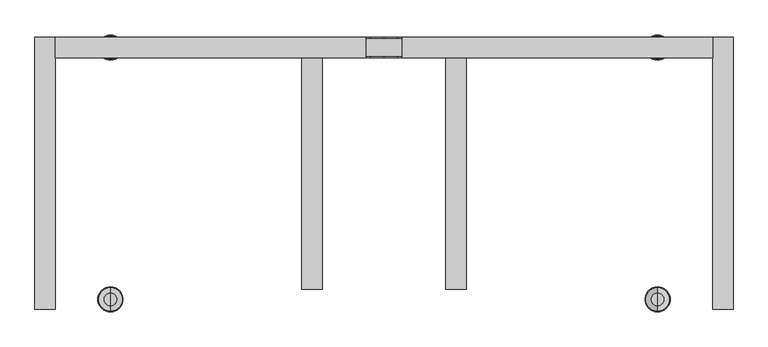
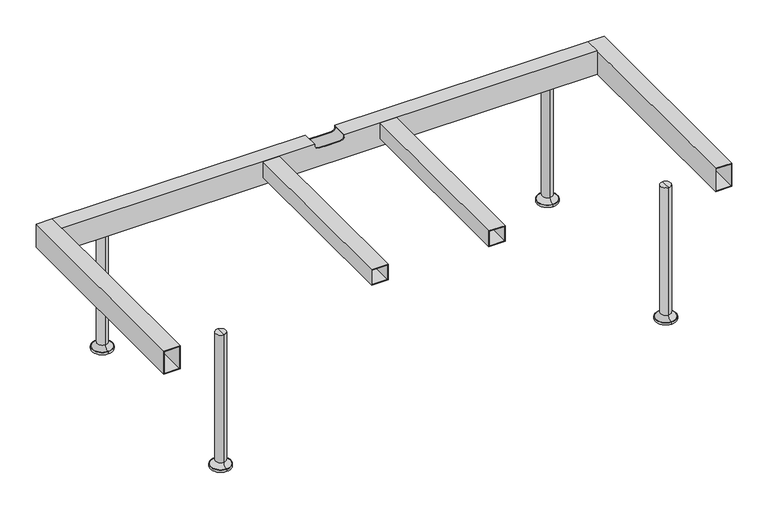
"""IFC4 building model written with IfcOpenShell, lengths in millimetres: furniture geometry."""

import ifcopenshell
import ifcopenshell.guid

model = None  # the IFC model being written
_history = None  # IfcOwnerHistory: only IFC2X3 demands one
_inside = {}  # id of a spatial element -> (the spatial element, [elements in it])
_under = {}  # id of a project, library or spatial element -> (it, [spatial elements below it])
_declared = {}  # id of a project -> (the project, [libraries it declares])
_typed = {}  # id of a type object -> (the type object, [elements of that type])
_made_of = {}  # id of a material, layer set ... -> (it, [elements and type objects made of it])


def new_model(schema):
    """Start an empty IFC model of exactly this schema.

    Asked for "IFC4X3", IfcOpenShell would pick the latest addendum, in which some entities
    have other attributes; the version numbers below select the first issue.
    IFC2X3 requires an IfcOwnerHistory on every rooted entity: one is made here for all.
    """
    global model, _history
    if schema == "IFC4X3":
        model = ifcopenshell.file(schema_version=(4, 3, 0, 0))
    else:
        model = ifcopenshell.file(schema=schema)
    _inside.clear()
    _under.clear()
    _declared.clear()
    _typed.clear()
    _made_of.clear()
    _history = None
    if model.schema == "IFC2X3":
        org = make("IfcOrganization", Name="unknown")
        user = make(
            "IfcPersonAndOrganization",
            ThePerson=make("IfcPerson", FamilyName="unknown"),
            TheOrganization=org,
        )
        app = make(
            "IfcApplication",
            ApplicationDeveloper=org,
            Version="unknown",
            ApplicationFullName="unknown",
            ApplicationIdentifier="unknown",
        )
        _history = make(
            "IfcOwnerHistory",
            OwningUser=user,
            OwningApplication=app,
            ChangeAction="ADDED",
            CreationDate=0,
        )
    return model


def make(cls, **values):
    """One entity of the class cls with the attributes given. An attribute that is None is left unset."""
    return model.create_entity(
        cls, **{name: value for name, value in values.items() if value is not None}
    )


def rooted(cls, **values):
    """An entity with a GlobalId (a new one), such as an element, a storey or a relation."""
    return make(cls, GlobalId=ifcopenshell.guid.new(), OwnerHistory=_history, **values)


def si_unit(unit_type, name, prefix=None):
    """IfcSIUnit, for example si_unit("LENGTHUNIT", "METRE", prefix="MILLI")."""
    return make("IfcSIUnit", UnitType=unit_type, Prefix=prefix, Name=name)


def assignment(units):
    """IfcUnitAssignment: the units of a project."""
    return None if units is None else make("IfcUnitAssignment", Units=units)


def point(xyz):
    """IfcCartesianPoint."""
    return None if xyz is None else make("IfcCartesianPoint", Coordinates=xyz)


def direction(xyz):
    """IfcDirection."""
    return None if xyz is None else make("IfcDirection", DirectionRatios=xyz)


def frame(location, z_axis=None, x_axis=None):
    """IfcAxis2Placement3D, a coordinate frame: its origin and axes. An axis left out is left unset."""
    return make(
        "IfcAxis2Placement3D",
        Location=point(location),
        Axis=direction(z_axis),
        RefDirection=direction(x_axis),
    )


def origin():
    """The frame at (0, 0, 0) with its axes left unset."""
    return frame((0.0, 0.0, 0.0))


def place(relative_to, where):
    """IfcLocalPlacement: puts the frame where relative to a parent placement (None: the world)."""
    return make(
        "IfcLocalPlacement", PlacementRelTo=relative_to, RelativePlacement=where
    )


def context(
    kind, dimensions, precision=None, world=None, true_north=None, identifier=None
):
    """IfcGeometricRepresentationContext, for example the 3D "Model" context."""
    return make(
        "IfcGeometricRepresentationContext",
        ContextIdentifier=identifier,
        ContextType=kind,
        CoordinateSpaceDimension=dimensions,
        Precision=precision,
        WorldCoordinateSystem=world,
        TrueNorth=true_north,
    )


def project(units=None, contexts=None):
    """IfcProject with its units and contexts."""
    return rooted(
        "IfcProject",
        Name="project",
        RepresentationContexts=contexts,
        UnitsInContext=assignment(units),
    )


def spatial(cls, under=None, at=None, **own):
    """A site, building, storey or space (cls), placed at a placement, below another one or the project."""
    s = rooted(cls, ObjectPlacement=at, **own)
    if under is not None:
        _under.setdefault(under.id(), (under, []))[1].append(s)
    return s


def polyline(points):
    """IfcPolyline through the points."""
    return make("IfcPolyline", Points=[point(p) for p in points])


def circle_curve(where, radius):
    """IfcCircle in the frame where."""
    return make("IfcCircle", Position=where, Radius=radius)


def ellipse_curve(where, semi_axis1, semi_axis2):
    """IfcEllipse in the frame where."""
    return make(
        "IfcEllipse", Position=where, SemiAxis1=semi_axis1, SemiAxis2=semi_axis2
    )


def trimmed(basis, trim1, trim2, sense, master):
    """IfcTrimmedCurve: the piece of a basis curve between two trims."""
    return make(
        "IfcTrimmedCurve",
        BasisCurve=basis,
        Trim1=trim1,
        Trim2=trim2,
        SenseAgreement=sense,
        MasterRepresentation=master,
    )


def outline(outer, holes=None, kind="AREA"):
    """IfcArbitraryClosedProfileDef: a profile drawn as a closed curve; with holes, ...WithVoids."""
    if holes is None:
        return make("IfcArbitraryClosedProfileDef", ProfileType=kind, OuterCurve=outer)
    return make(
        "IfcArbitraryProfileDefWithVoids",
        ProfileType=kind,
        OuterCurve=outer,
        InnerCurves=holes,
    )


def extrude(swept, where, along, depth):
    """IfcExtrudedAreaSolid: the profile swept, set in the frame where, extruded along a direction by depth."""
    return make(
        "IfcExtrudedAreaSolid",
        SweptArea=swept,
        Position=where,
        ExtrudedDirection=direction(along),
        Depth=depth,
    )


def shape(context_of_items, identifier, shape_type, items):
    """IfcShapeRepresentation: the items that make up one representation, for example the "Body"."""
    return make(
        "IfcShapeRepresentation",
        ContextOfItems=context_of_items,
        RepresentationIdentifier=identifier,
        RepresentationType=shape_type,
        Items=items,
    )


def source(mapping_origin, context_of_items, identifier, shape_type, items):
    """IfcRepresentationMap: a shape defined once, which mapped items show again and again."""
    return make(
        "IfcRepresentationMap",
        MappingOrigin=mapping_origin,
        MappedRepresentation=shape(context_of_items, identifier, shape_type, items),
    )


def transform(
    local_origin,
    x_axis=None,
    y_axis=None,
    z_axis=None,
    scale=None,
    scale2=None,
    scale3=None,
    uniform=True,
):
    """IfcCartesianTransformationOperator3D, or its non-uniform kind. x_axis, y_axis, z_axis: its Axis1, 2, 3."""
    if uniform:
        return make(
            "IfcCartesianTransformationOperator3D",
            Axis1=direction(x_axis),
            Axis2=direction(y_axis),
            LocalOrigin=point(local_origin),
            Scale=scale,
            Axis3=direction(z_axis),
        )
    return make(
        "IfcCartesianTransformationOperator3DnonUniform",
        Axis1=direction(x_axis),
        Axis2=direction(y_axis),
        LocalOrigin=point(local_origin),
        Scale=scale,
        Axis3=direction(z_axis),
        Scale2=scale2,
        Scale3=scale3,
    )


def mapped(mapping_source, mapping_target):
    """IfcMappedItem: shows the shape of a source again, moved by a transform."""
    return make(
        "IfcMappedItem", MappingSource=mapping_source, MappingTarget=mapping_target
    )


def made_of(thing, what):
    """Note that an element or type object is made of a material, layer set ...; save() writes the relation."""
    if what is not None:
        _made_of.setdefault(what.id(), (what, []))[1].append(thing)
    return thing


def element(
    cls,
    number,
    at=None,
    inside=None,
    cuts=None,
    type_object=None,
    material=None,
    context=None,
    identifier="Body",
    shape_type=None,
    held_by="IfcProductDefinitionShape",
    body=None,
    shapes=None,
    **own,
):
    """One element of the class cls, such as IfcWall. Its Tag is "e" and its number.

    at: its placement. inside: the storey or other place that contains it. cuts: it is an
    opening in that element (IfcRelVoidsElement). A single representation is given by context,
    identifier, shape_type and body (its items); several are given by shapes. held_by: the class
    of the entity that holds the representations. save() writes the other relations.
    """
    e = rooted(cls, Tag="e%d" % number, ObjectPlacement=at, **own)
    if body is not None:
        shapes = [shape(context, identifier, shape_type, body)]
    if shapes is not None:
        e.Representation = make(held_by, Representations=shapes)
    if inside is not None:
        _inside.setdefault(inside.id(), (inside, []))[1].append(e)
    if cuts is not None:
        rooted(
            "IfcRelVoidsElement", RelatingBuildingElement=cuts, RelatedOpeningElement=e
        )
    if type_object is not None:
        _typed.setdefault(type_object.id(), (type_object, []))[1].append(e)
    return made_of(e, material)


def aggregate(whole, parts):
    """IfcRelAggregates: a whole, such as a stair, and the parts it consists of."""
    return rooted("IfcRelAggregates", RelatingObject=whole, RelatedObjects=parts)


def save(model, path):
    """Write the relations noted so far, then the file.

    IfcRelAggregates (storeys below a building ...), IfcRelContainedInSpatialStructure (elements
    in a storey), IfcRelDefinesByType, IfcRelAssociatesMaterial and IfcRelDeclares: one each for
    every whole, place, type object, material and project.
    """
    for whole, parts in _under.values():
        aggregate(whole, parts)
    for where, things in _inside.values():
        rooted(
            "IfcRelContainedInSpatialStructure",
            RelatedElements=things,
            RelatingStructure=where,
        )
    for kind, things in _typed.values():
        rooted("IfcRelDefinesByType", RelatedObjects=things, RelatingType=kind)
    for what, things in _made_of.values():
        rooted("IfcRelAssociatesMaterial", RelatedObjects=things, RelatingMaterial=what)
    for by, libraries in _declared.values():
        rooted("IfcRelDeclares", RelatingContext=by, RelatedDefinitions=libraries)
    model.write(path)


def plane_surface(at):
    """IfcPlane: the flat surface through the origin of the frame at, square to its z axis."""
    return make("IfcPlane", Position=at)


def cylinder_surface(at, radius):
    """IfcCylindricalSurface: all points at the distance radius from the z axis of the frame at."""
    return make("IfcCylindricalSurface", Position=at, Radius=radius)


def revolved_surface(curve, axis_point, axis_direction):
    """IfcSurfaceOfRevolution: the curve turned about the line through axis_point along axis_direction."""
    return make(
        "IfcSurfaceOfRevolution",
        SweptCurve=make("IfcArbitraryOpenProfileDef", ProfileType="CURVE", Curve=curve),
        AxisPosition=make("IfcAxis1Placement", Location=point(axis_point), Axis=direction(axis_direction)),
    )


def advanced_brep(points, edges, surfaces, faces):
    """IfcAdvancedBrep: a solid bounded by faces that lie on surfaces and meet in shared edges.

    An edge is (start, end): straight between two places in points (the first is 0);
    or (start, end, curve); or (start, end, curve, False) where it runs against its curve.
    A face is (place in surfaces, loops), or (place, loops, False) where it looks against
    its surface's normal. A loop lists edges by number (the first is 1), with a minus sign
    where the edge is run from its end to its start. The first loop is the outer one.
    """
    corners = [point(p) for p in points]
    vertices = [make("IfcVertexPoint", VertexGeometry=c) for c in corners]
    made = []
    for start, end, *more in edges:
        made.append(
            make(
                "IfcEdgeCurve",
                EdgeStart=vertices[start],
                EdgeEnd=vertices[end],
                EdgeGeometry=more[0] if more else make("IfcPolyline", Points=[corners[start], corners[end]]),
                SameSense=more[1] if len(more) > 1 else True,
            )
        )
    hull = []
    for where, loops, *sense in faces:
        bounds = []
        for j, loop in enumerate(loops):
            ring = [make("IfcOrientedEdge", EdgeElement=made[abs(k) - 1], Orientation=k > 0) for k in loop]
            bounds.append(
                make(
                    "IfcFaceOuterBound" if j == 0 else "IfcFaceBound",
                    Bound=make("IfcEdgeLoop", EdgeList=ring),
                    Orientation=True,
                )
            )
        hull.append(make("IfcAdvancedFace", Bounds=bounds, FaceSurface=surfaces[where], SameSense=sense[0] if sense else True))
    return make("IfcAdvancedBrep", Outer=make("IfcClosedShell", CfsFaces=hull))


def furniture_80b7e7a5(model_context):
    return source(origin(), model_context, "Body", "SolidModel", [
        advanced_brep(
        [(652.9916052, 230.0000056, 359.922434), (652.9916052, 230.0000056, 299.9223263), (652.9916052, 270.0000061, 299.9223263), (652.9916052, 270.0000061, 359.922434), (652.9916052, 268.0000023, 301.9086098), (652.9916052, 232.0000018, 301.9086098), (652.9916052, 232.0000018, 357.9224338), (652.9916052, 268.0000023, 357.9224338), (-652.9916052, 230.0000056, 359.922434), (-652.9916052, 270.0000061, 359.922434), (-652.9916052, 270.0000061, 299.9223263), (-652.9916052, 230.0000056, 299.9223263), (-652.9916052, 268.0000023, 301.9086098), (-652.9916052, 268.0000023, 357.9224338), (-652.9916052, 232.0000018, 357.9224338), (-652.9916052, 232.0000018, 301.9086098), (35.9966488, 230.0000056, 359.922434), (35.9966488, 230.0000056, 356.6346058), (25.9966488, 230.0000056, 346.6346058), (0.0, 230.0000056, 346.6346058), (-25.9966488, 230.0000056, 346.6346058), (-35.9966488, 230.0000056, 356.6346058), (-35.9966488, 230.0000056, 359.922434), (-35.9966488, 270.0000061, 359.922434), (-35.9966488, 270.0000061, 356.6346058), (-25.9966488, 270.0000061, 346.6346058), (0.0, 270.0000061, 346.6346058), (25.9966488, 270.0000061, 346.6346058), (35.9966488, 270.0000061, 356.6346058), (35.9966488, 270.0000061, 359.922434), (-124.9814439, 270.0000061, 357.9224338), (-160.9701256, 270.0000061, 357.9224338), (-160.9701256, 270.0000061, 301.9086098), (-124.9814439, 270.0000061, 301.9086098), (160.9701256, 270.0000061, 357.9224338), (124.9814439, 270.0000061, 357.9224338), (124.9814439, 270.0000061, 301.9086098), (160.9701256, 270.0000061, 301.9086098), (0.0, 232.0000018, 346.6346058), (25.9966488, 232.0000018, 346.6346058), (0.0, 268.0000023, 346.6346058), (25.9966488, 268.0000023, 346.6346058), (35.9966488, 232.0000018, 356.6346058), (35.9966488, 268.0000023, 356.6346058), (35.9966488, 268.0000023, 357.9224338), (35.9966488, 232.0000018, 357.9224338), (-35.9966488, 232.0000018, 356.6346058), (-35.9966488, 232.0000018, 357.9224338), (-35.9966488, 268.0000023, 357.9224338), (-35.9966488, 268.0000023, 356.6346058), (-25.9966488, 232.0000018, 346.6346058), (-25.9966488, 268.0000023, 346.6346058), (160.9701256, 268.0000023, 301.9086098), (124.9814439, 268.0000023, 301.9086098), (-124.9814439, 268.0000023, 301.9086098), (-160.9701256, 268.0000023, 301.9086098), (124.9814439, 268.0000023, 357.9224338), (160.9701256, 268.0000023, 357.9224338), (-160.9701256, 268.0000023, 357.9224338), (-124.9814439, 268.0000023, 357.9224338)],
        [
            (0, 1),
            (1, 2),
            (2, 3),
            (3, 0),
            (4, 5),
            (5, 6),
            (6, 7),
            (7, 4),
            (8, 9),
            (9, 10),
            (10, 11),
            (11, 8),
            (12, 13),
            (13, 14),
            (14, 15),
            (15, 12),
            (0, 16),
            (16, 17),
            (17, 18, circle_curve(frame((25.9966488, 230.0000056, 356.6346058), z_axis=(0.0, 1.0, 0.0), x_axis=(-1.0, 0.0, 0.0)), 10.0)),
            (18, 19),
            (19, 20),
            (20, 21, circle_curve(frame((-25.9966488, 230.0000056, 356.6346058), z_axis=(0.0, 1.0, 0.0), x_axis=(1.0, 0.0, 0.0)), 10.0)),
            (21, 22),
            (22, 8),
            (11, 1),
            (10, 2),
            (9, 23),
            (23, 24),
            (24, 25, circle_curve(frame((-25.9966488, 270.0000061, 356.6346058), z_axis=(0.0, -1.0, 0.0), x_axis=(1.0, 0.0, 0.0)), 10.0)),
            (25, 26),
            (26, 27),
            (27, 28, circle_curve(frame((25.9966488, 270.0000061, 356.6346058), z_axis=(0.0, -1.0, 0.0), x_axis=(-1.0, 0.0, 0.0)), 10.0)),
            (28, 29),
            (29, 3),
            (30, 31),
            (31, 32),
            (32, 33),
            (33, 30),
            (34, 35),
            (35, 36),
            (36, 37),
            (37, 34),
            (29, 16),
            (22, 23),
            (38, 19),
            (18, 39),
            (39, 38),
            (26, 40),
            (40, 41),
            (41, 27),
            (17, 42),
            (42, 39, circle_curve(frame((25.9966488, 232.0000018, 356.6346058), z_axis=(0.0, 1.0, 0.0), x_axis=(-1.0, 0.0, 0.0)), 10.0)),
            (41, 43, circle_curve(frame((25.9966488, 268.0000023, 356.6346058), z_axis=(0.0, -1.0, 0.0), x_axis=(-1.0, 0.0, 0.0)), 10.0)),
            (43, 28),
            (43, 44),
            (44, 45),
            (45, 42),
            (21, 46),
            (46, 47),
            (47, 48),
            (48, 49),
            (49, 24),
            (38, 50),
            (50, 20),
            (25, 51),
            (51, 40),
            (4, 52),
            (52, 37),
            (36, 53),
            (53, 54),
            (54, 33),
            (32, 55),
            (55, 12),
            (15, 5),
            (14, 47),
            (46, 50, circle_curve(frame((-25.9966488, 232.0000018, 356.6346058), z_axis=(0.0, -1.0, 0.0), x_axis=(1.0, 0.0, 0.0)), 10.0)),
            (45, 6),
            (44, 56),
            (56, 35),
            (34, 57),
            (57, 7),
            (13, 58),
            (58, 31),
            (30, 59),
            (59, 48),
            (57, 52),
            (55, 58),
            (51, 49, circle_curve(frame((-25.9966488, 268.0000023, 356.6346058), z_axis=(0.0, 1.0, 0.0), x_axis=(1.0, 0.0, 0.0)), 10.0)),
            (59, 54),
            (53, 56),
        ],
        [
            plane_surface(frame((652.9916052, 230.0000056, 319.6891771), z_axis=(1.0, 0.0, 0.0), x_axis=(0.0, 0.0, -1.0))),
            plane_surface(frame((-652.9916052, 230.0000056, 319.6891771), z_axis=(-1.0, 0.0, 0.0), x_axis=(0.0, 0.0, 1.0))),
            plane_surface(frame((652.9916052, 230.0000056, 359.922434), z_axis=(0.0, -1.0, 0.0), x_axis=(-1.0, 0.0, 0.0))),
            plane_surface(frame((652.9916052, 230.0000056, 299.9223263), z_axis=(0.0, 0.0, -1.0), x_axis=(-1.0, 0.0, 0.0))),
            plane_surface(frame((652.9916052, 270.0000061, 299.9223263), z_axis=(0.0, 1.0, 0.0), x_axis=(-1.0, 0.0, 0.0))),
            plane_surface(frame((652.9916052, 270.0000061, 359.922434), z_axis=(0.0, 0.0, 1.0), x_axis=(-1.0, 0.0, 0.0))),
            plane_surface(frame((0.0, -287.5262628, 346.6346058), z_axis=(0.0, 0.0, 1.0), x_axis=(0.0, 1.0, 0.0))),
            revolved_surface(polyline([(15.9966488, 230.0000056, 356.6346058), (15.9966488, 232.0000018, 356.6346058)]), (25.9966488, 314.3107458, 356.6346058), (0.0, -1.0, 0.0)),
            revolved_surface(polyline([(15.9966488, 268.0000023, 356.6346058), (15.9966488, 270.0000061, 356.6346058)]), (25.9966488, 314.3107458, 356.6346058), (0.0, -1.0, 0.0)),
            plane_surface(frame((35.9966488, -287.5262628, 356.6346058), z_axis=(-1.0, 0.0, 0.0), x_axis=(0.0, 1.0, 0.0))),
            plane_surface(frame((-35.9966488, -287.5262628, 378.869628), z_axis=(1.0, 0.0, 0.0), x_axis=(0.0, 1.0, 0.0))),
            plane_surface(frame((-25.9966488, -287.5262628, 346.6346058), z_axis=(0.0, 0.0, 1.0), x_axis=(0.0, 1.0, 0.0))),
            plane_surface(frame((652.9916052, 268.0000023, 301.9086098), z_axis=(0.0, 0.0, 1.0), x_axis=(-1.0, 0.0, 0.0))),
            plane_surface(frame((652.9916052, 232.0000018, 301.9086098), z_axis=(0.0, 1.0, 0.0), x_axis=(-1.0, 0.0, 0.0))),
            plane_surface(frame((652.9916052, 232.0000018, 357.9224338), z_axis=(0.0, 0.0, -1.0), x_axis=(-1.0, 0.0, 0.0))),
            plane_surface(frame((652.9916052, 268.0000023, 357.9224338), z_axis=(0.0, -1.0, 0.0), x_axis=(-1.0, 0.0, 0.0))),
            plane_surface(frame((-160.9701256, 282.4008656, 301.9086098), z_axis=(1.0, 0.0, 0.0), x_axis=(0.0, -1.0, 0.0))),
            plane_surface(frame((-124.9814439, 282.4008656, 357.9224338), z_axis=(-1.0, 0.0, 0.0), x_axis=(0.0, -1.0, 0.0))),
            plane_surface(frame((160.9701256, 282.4008656, 357.9224338), z_axis=(-1.0, 0.0, 0.0), x_axis=(0.0, -1.0, 0.0))),
            plane_surface(frame((124.9814439, 282.4008656, 301.9086098), z_axis=(1.0, 0.0, 0.0), x_axis=(0.0, -1.0, 0.0))),
            revolved_surface(polyline([(-15.9966488, 230.0000056, 356.6346058), (-15.9966488, 232.0000018, 356.6346058)]), (-25.9966488, 314.3107458, 356.6346058), (0.0, -1.0, 0.0)),
            revolved_surface(polyline([(-15.9966488, 268.0000023, 356.6346058), (-15.9966488, 270.0000061, 356.6346058)]), (-25.9966488, 314.3107458, 356.6346058), (0.0, -1.0, 0.0)),
        ],
        [
            (0, [[1, 2, 3, 4], [5, 6, 7, 8]]),
            (1, [[9, 10, 11, 12], [13, 14, 15, 16]]),
            (2, [[-1, 17, 18, 19, 20, 21, 22, 23, 24, -12, 25]]),
            (3, [[-2, -25, -11, 26]]),
            (4, [[-3, -26, -10, 27, 28, 29, 30, 31, 32, 33, 34], [35, 36, 37, 38], [39, 40, 41, 42]]),
            (5, [[-4, -34, 43, -17]]),
            (5, [[-9, -24, 44, -27]]),
            (6, [[45, -20, 46, 47]]),
            (6, [[48, 49, 50, -31]]),
            (7, [[-46, -19, 51, 52]]),
            (8, [[-50, 53, 54, -32]]),
            (9, [[-51, -18, -43, -33, -54, 55, 56, 57]]),
            (10, [[58, 59, 60, 61, 62, -28, -44, -23]]),
            (11, [[-45, 63, 64, -21]]),
            (11, [[-48, -30, 65, 66]]),
            (12, [[-5, 67, 68, -41, 69, 70, 71, -37, 72, 73, -16, 74]]),
            (13, [[-6, -74, -15, 75, -59, 76, -63, -47, -52, -57, 77]]),
            (14, [[-7, -77, -56, 78, 79, -39, 80, 81]]),
            (14, [[-14, 82, 83, -35, 84, 85, -60, -75]]),
            (15, [[-8, -81, 86, -67]]),
            (15, [[-13, -73, 87, -82]]),
            (15, [[-49, -66, 88, -61, -85, 89, -70, 90, -78, -55, -53]]),
            (16, [[-83, -87, -72, -36]]),
            (17, [[-71, -89, -84, -38]]),
            (18, [[-80, -42, -68, -86]]),
            (19, [[-79, -90, -69, -40]]),
            (20, [[-64, -76, -58, -22]]),
            (21, [[-65, -29, -62, -88]]),
        ],
    ),
        extrude(outline(polyline([(359.922434, 652.9916052), (299.9223263, 652.9916052), (299.9223263, 692.9854212), (359.922434, 692.9854212), (359.922434, 652.9916052)]), holes=[polyline([(301.9086098, 690.9659032), (301.9086098, 654.9772215), (357.9224338, 654.9772215), (357.9224338, 690.9659032), (301.9086098, 690.9659032)])]), frame((0.0, -269.9999939, 0.0), z_axis=(0.0, 1.0, 0.0), x_axis=(0.0, 0.0, 1.0)), (0.0, 0.0, 1.0), 540.0),
        extrude(outline(polyline([(359.922434, 122.9958276), (319.6891771, 122.9958276), (319.6891771, 162.9896436), (359.922434, 162.9896436), (359.922434, 122.9958276)]), holes=[polyline([(321.6754606, 160.9701256), (321.6754606, 124.9814439), (357.9224338, 124.9814439), (357.9224338, 160.9701256), (321.6754606, 160.9701256)])]), frame((0.0, -229.9999925, 0.0), z_axis=(0.0, 1.0, 0.0), x_axis=(0.0, 0.0, 1.0)), (0.0, 0.0, 1.0), 459.9999981),
        extrude(outline(polyline([(359.922434, -122.9958276), (359.922434, -162.9896436), (319.6891771, -162.9896436), (319.6891771, -122.9958276), (359.922434, -122.9958276)]), holes=[polyline([(321.6754606, -160.9701256), (357.9224338, -160.9701256), (357.9224338, -124.9814439), (321.6754606, -124.9814439), (321.6754606, -160.9701256)])]), frame((0.0, -229.9999925, 0.0), z_axis=(0.0, 1.0, 0.0), x_axis=(0.0, 0.0, 1.0)), (0.0, 0.0, 1.0), 459.9999981),
        extrude(outline(polyline([(359.922434, -652.9916052), (359.922434, -692.9854212), (299.9223263, -692.9854212), (299.9223263, -652.9916052), (359.922434, -652.9916052)]), holes=[polyline([(301.9086098, -690.9659032), (357.9224338, -690.9659032), (357.9224338, -654.9772215), (301.9086098, -654.9772215), (301.9086098, -690.9659032)])]), frame((0.0, -269.9999939, 0.0), z_axis=(0.0, 1.0, 0.0), x_axis=(0.0, 0.0, 1.0)), (0.0, 0.0, 1.0), 540.0),
        advanced_brep(
        [(542.9813638, 275.0000031, 0.0), (542.9813638, 225.0000031, 0.0), (542.9813638, 250.0000031, 0.0), (542.9813638, 250.0000031, 344.8637637), (542.9813638, 237.5284391, 344.8637637), (542.9813638, 262.4715672, 344.8637637), (542.9813638, 237.5284391, 16.2604994), (542.9813638, 262.4715672, 16.2604994), (542.9813638, 226.770535, 5.5025953), (542.9813638, 273.2294713, 5.5025953), (542.9813638, 225.0000031, 5.5025953), (542.9813638, 275.0000031, 5.5025953)],
        [
            (0, 1, circle_curve(frame((542.9813638, 250.0000031, 0.0), z_axis=(0.0, 0.0, -1.0), x_axis=(0.0, -1.0, 0.0)), 25.0)),
            (1, 2),
            (2, 0),
            (1, 0, circle_curve(frame((542.9813638, 250.0000031, 0.0), z_axis=(0.0, 0.0, -1.0), x_axis=(0.0, -1.0, 0.0)), 25.0)),
            (3, 4),
            (4, 5, circle_curve(frame((542.9813638, 250.0000031, 344.8637637), z_axis=(0.0, 0.0, 1.0), x_axis=(0.0, -1.0, 0.0)), 12.471564)),
            (5, 3),
            (5, 4, circle_curve(frame((542.9813638, 250.0000031, 344.8637637), z_axis=(0.0, 0.0, 1.0), x_axis=(0.0, -1.0, 0.0)), 12.471564)),
            (4, 6),
            (6, 7, circle_curve(frame((542.9813638, 250.0000031, 16.2604994), z_axis=(0.0, 0.0, 1.0), x_axis=(0.0, -1.0, 0.0)), 12.471564)),
            (7, 5),
            (7, 6, circle_curve(frame((542.9813638, 250.0000031, 16.2604994), z_axis=(0.0, 0.0, 1.0), x_axis=(0.0, -1.0, 0.0)), 12.471564)),
            (6, 8, circle_curve(frame((542.9813638, 226.770535, 16.2604994), z_axis=(-1.0, 0.0, 0.0), x_axis=(0.0, -1.0, 0.0)), 10.7579041)),
            (8, 9, circle_curve(frame((542.9813638, 250.0000031, 5.5025953), z_axis=(0.0, 0.0, 1.0), x_axis=(0.0, -1.0, 0.0)), 23.2294681)),
            (9, 7, circle_curve(frame((542.9813638, 273.2294713, 16.2604994), z_axis=(-1.0, 0.0, 0.0), x_axis=(0.0, 1.0, 0.0)), 10.7579041)),
            (9, 8, circle_curve(frame((542.9813638, 250.0000031, 5.5025953), z_axis=(0.0, 0.0, 1.0), x_axis=(0.0, -1.0, 0.0)), 23.2294681)),
            (8, 10),
            (10, 11, circle_curve(frame((542.9813638, 250.0000031, 5.5025953), z_axis=(0.0, 0.0, 1.0), x_axis=(0.0, -1.0, 0.0)), 25.0)),
            (11, 9),
            (11, 10, circle_curve(frame((542.9813638, 250.0000031, 5.5025953), z_axis=(0.0, 0.0, 1.0), x_axis=(0.0, -1.0, 0.0)), 25.0)),
            (10, 1),
            (0, 11),
        ],
        [
            plane_surface(frame((542.9813638, 250.0000031, 0.0), z_axis=(0.0, 0.0, -1.0), x_axis=(0.0, -1.0, 0.0))),
            plane_surface(frame((542.9813638, 250.0000031, 344.8637637), z_axis=(0.0, 0.0, 1.0), x_axis=(0.0, -1.0, 0.0))),
            cylinder_surface(frame((542.9813638, 250.0000031, 344.8637637), z_axis=(0.0, 0.0, 1.0), x_axis=(0.0, -1.0, 0.0)), 12.471564),
            revolved_surface(trimmed(ellipse_curve(frame((542.9813638, 226.770535, 16.2604994), z_axis=(1.0, 0.0, 0.0), x_axis=(0.0, -1.0, 0.0)), 10.7579041, 10.7579041), [point((542.9813638, 226.770535, 5.5025953))], [point((542.9813638, 237.5284391, 16.2604994))], True, "CARTESIAN"), (542.9813638, 250.0000031, 344.8637637), (0.0, 0.0, 1.0)),
            plane_surface(frame((542.9813638, 250.0000031, 5.5025953), z_axis=(0.0, 0.0, 1.0), x_axis=(0.0, -1.0, 0.0))),
            cylinder_surface(frame((542.9813638, 250.0000031, 344.8637637), z_axis=(0.0, 0.0, 1.0), x_axis=(0.0, -1.0, 0.0)), 25.0),
        ],
        [
            (0, [[1, 2, 3]]),
            (0, [[4, -3, -2]]),
            (1, [[5, 6, 7]]),
            (1, [[-7, 8, -5]]),
            (2, [[-6, 9, 10, 11]]),
            (2, [[-8, -11, 12, -9]]),
            (3, [[-10, 13, 14, 15]]),
            (3, [[-12, -15, 16, -13]]),
            (4, [[-14, 17, 18, 19]]),
            (4, [[-16, -19, 20, -17]]),
            (5, [[-18, 21, -1, 22]]),
            (5, [[-20, -22, -4, -21]]),
        ],
    ),
        advanced_brep(
        [(542.9813638, -250.0000031, 0.0), (542.9813638, -225.0000031, 0.0), (542.9813638, -275.0000031, 0.0), (542.9813638, -262.4715672, 344.8637637), (542.9813638, -237.5284391, 344.8637637), (542.9813638, -250.0000031, 344.8637637), (542.9813638, -262.4715672, 16.2604994), (542.9813638, -237.5284391, 16.2604994), (542.9813638, -273.2294713, 5.5025953), (542.9813638, -226.770535, 5.5025953), (542.9813638, -275.0000031, 5.5025953), (542.9813638, -225.0000031, 5.5025953)],
        [
            (0, 1),
            (1, 2, circle_curve(frame((542.9813638, -250.0000031, 0.0), z_axis=(0.0, 0.0, -1.0), x_axis=(0.0, 1.0, 0.0)), 25.0)),
            (2, 0),
            (2, 1, circle_curve(frame((542.9813638, -250.0000031, 0.0), z_axis=(0.0, 0.0, -1.0), x_axis=(0.0, 1.0, 0.0)), 25.0)),
            (3, 4, circle_curve(frame((542.9813638, -250.0000031, 344.8637637), z_axis=(0.0, 0.0, 1.0), x_axis=(0.0, 1.0, 0.0)), 12.471564)),
            (4, 5),
            (5, 3),
            (4, 3, circle_curve(frame((542.9813638, -250.0000031, 344.8637637), z_axis=(0.0, 0.0, 1.0), x_axis=(0.0, 1.0, 0.0)), 12.471564)),
            (6, 7, circle_curve(frame((542.9813638, -250.0000031, 16.2604994), z_axis=(0.0, 0.0, 1.0), x_axis=(0.0, 1.0, 0.0)), 12.471564)),
            (7, 4),
            (3, 6),
            (7, 6, circle_curve(frame((542.9813638, -250.0000031, 16.2604994), z_axis=(0.0, 0.0, 1.0), x_axis=(0.0, 1.0, 0.0)), 12.471564)),
            (8, 9, circle_curve(frame((542.9813638, -250.0000031, 5.5025953), z_axis=(0.0, 0.0, 1.0), x_axis=(0.0, 1.0, 0.0)), 23.2294681)),
            (9, 7, circle_curve(frame((542.9813638, -226.770535, 16.2604994), z_axis=(-1.0, 0.0, 0.0), x_axis=(0.0, 1.0, 0.0)), 10.7579041)),
            (6, 8, circle_curve(frame((542.9813638, -273.2294713, 16.2604994), z_axis=(-1.0, 0.0, 0.0), x_axis=(0.0, -1.0, 0.0)), 10.7579041)),
            (9, 8, circle_curve(frame((542.9813638, -250.0000031, 5.5025953), z_axis=(0.0, 0.0, 1.0), x_axis=(0.0, 1.0, 0.0)), 23.2294681)),
            (10, 11, circle_curve(frame((542.9813638, -250.0000031, 5.5025953), z_axis=(0.0, 0.0, 1.0), x_axis=(0.0, 1.0, 0.0)), 25.0)),
            (11, 9),
            (8, 10),
            (11, 10, circle_curve(frame((542.9813638, -250.0000031, 5.5025953), z_axis=(0.0, 0.0, 1.0), x_axis=(0.0, 1.0, 0.0)), 25.0)),
            (1, 11),
            (10, 2),
        ],
        [
            plane_surface(frame((542.9813638, -250.0000031, 0.0), z_axis=(0.0, 0.0, -1.0), x_axis=(0.0, 1.0, 0.0))),
            plane_surface(frame((542.9813638, -250.0000031, 344.8637637), z_axis=(0.0, 0.0, 1.0), x_axis=(0.0, 1.0, 0.0))),
            cylinder_surface(frame((542.9813638, -250.0000031, 344.8637637), z_axis=(0.0, 0.0, -1.0), x_axis=(0.0, 1.0, 0.0)), 12.471564),
            revolved_surface(trimmed(ellipse_curve(frame((542.9813638, -226.770535, 16.2604994), z_axis=(1.0, 0.0, 0.0), x_axis=(0.0, 1.0, 0.0)), 10.7579041, 10.7579041), [point((542.9813638, -237.5284391, 16.2604994))], [point((542.9813638, -226.770535, 5.5025953))], True, "CARTESIAN"), (542.9813638, -250.0000031, 344.8637637), (0.0, 0.0, -1.0)),
            plane_surface(frame((542.9813638, -250.0000031, 5.5025953), z_axis=(0.0, 0.0, 1.0), x_axis=(0.0, 1.0, 0.0))),
            cylinder_surface(frame((542.9813638, -250.0000031, 344.8637637), z_axis=(0.0, 0.0, -1.0), x_axis=(0.0, 1.0, 0.0)), 25.0),
        ],
        [
            (0, [[1, 2, 3]]),
            (0, [[-3, 4, -1]]),
            (1, [[5, 6, 7]]),
            (1, [[8, -7, -6]]),
            (2, [[9, 10, -5, 11]]),
            (2, [[12, -11, -8, -10]]),
            (3, [[13, 14, -9, 15]]),
            (3, [[16, -15, -12, -14]]),
            (4, [[17, 18, -13, 19]]),
            (4, [[20, -19, -16, -18]]),
            (5, [[-2, 21, -17, 22]]),
            (5, [[-4, -22, -20, -21]]),
        ],
    ),
        advanced_brep(
        [(-542.9813638, -275.0000031, 0.0), (-542.9813638, -225.0000031, 0.0), (-542.9813638, -250.0000031, 0.0), (-542.9813638, -250.0000031, 344.8637637), (-542.9813638, -237.5284391, 344.8637637), (-542.9813638, -262.4715672, 344.8637637), (-542.9813638, -237.5284391, 16.2604994), (-542.9813638, -262.4715672, 16.2604994), (-542.9813638, -226.770535, 5.5025953), (-542.9813638, -273.2294713, 5.5025953), (-542.9813638, -225.0000031, 5.5025953), (-542.9813638, -275.0000031, 5.5025953)],
        [
            (0, 1, circle_curve(frame((-542.9813638, -250.0000031, 0.0), z_axis=(0.0, 0.0, -1.0), x_axis=(0.0, 1.0, 0.0)), 25.0)),
            (1, 2),
            (2, 0),
            (1, 0, circle_curve(frame((-542.9813638, -250.0000031, 0.0), z_axis=(0.0, 0.0, -1.0), x_axis=(0.0, 1.0, 0.0)), 25.0)),
            (3, 4),
            (4, 5, circle_curve(frame((-542.9813638, -250.0000031, 344.8637637), z_axis=(0.0, 0.0, 1.0), x_axis=(0.0, 1.0, 0.0)), 12.471564)),
            (5, 3),
            (5, 4, circle_curve(frame((-542.9813638, -250.0000031, 344.8637637), z_axis=(0.0, 0.0, 1.0), x_axis=(0.0, 1.0, 0.0)), 12.471564)),
            (4, 6),
            (6, 7, circle_curve(frame((-542.9813638, -250.0000031, 16.2604994), z_axis=(0.0, 0.0, 1.0), x_axis=(0.0, 1.0, 0.0)), 12.471564)),
            (7, 5),
            (7, 6, circle_curve(frame((-542.9813638, -250.0000031, 16.2604994), z_axis=(0.0, 0.0, 1.0), x_axis=(0.0, 1.0, 0.0)), 12.471564)),
            (6, 8, circle_curve(frame((-542.9813638, -226.770535, 16.2604994), z_axis=(1.0, 0.0, 0.0), x_axis=(0.0, 1.0, 0.0)), 10.7579041)),
            (8, 9, circle_curve(frame((-542.9813638, -250.0000031, 5.5025953), z_axis=(0.0, 0.0, 1.0), x_axis=(0.0, 1.0, 0.0)), 23.2294681)),
            (9, 7, circle_curve(frame((-542.9813638, -273.2294713, 16.2604994), z_axis=(1.0, 0.0, 0.0), x_axis=(0.0, -1.0, 0.0)), 10.7579041)),
            (9, 8, circle_curve(frame((-542.9813638, -250.0000031, 5.5025953), z_axis=(0.0, 0.0, 1.0), x_axis=(0.0, 1.0, 0.0)), 23.2294681)),
            (8, 10),
            (10, 11, circle_curve(frame((-542.9813638, -250.0000031, 5.5025953), z_axis=(0.0, 0.0, 1.0), x_axis=(0.0, 1.0, 0.0)), 25.0)),
            (11, 9),
            (11, 10, circle_curve(frame((-542.9813638, -250.0000031, 5.5025953), z_axis=(0.0, 0.0, 1.0), x_axis=(0.0, 1.0, 0.0)), 25.0)),
            (10, 1),
            (0, 11),
        ],
        [
            plane_surface(frame((-542.9813638, -250.0000031, 0.0), z_axis=(0.0, 0.0, -1.0), x_axis=(0.0, 1.0, 0.0))),
            plane_surface(frame((-542.9813638, -250.0000031, 344.8637637), z_axis=(0.0, 0.0, 1.0), x_axis=(0.0, 1.0, 0.0))),
            cylinder_surface(frame((-542.9813638, -250.0000031, 344.8637637), z_axis=(0.0, 0.0, 1.0), x_axis=(0.0, 1.0, 0.0)), 12.471564),
            revolved_surface(trimmed(ellipse_curve(frame((-542.9813638, -226.770535, 16.2604994), z_axis=(-1.0, 0.0, 0.0), x_axis=(0.0, 1.0, 0.0)), 10.7579041, 10.7579041), [point((-542.9813638, -226.770535, 5.5025953))], [point((-542.9813638, -237.5284391, 16.2604994))], True, "CARTESIAN"), (-542.9813638, -250.0000031, 344.8637637), (0.0, 0.0, 1.0)),
            plane_surface(frame((-542.9813638, -250.0000031, 5.5025953), z_axis=(0.0, 0.0, 1.0), x_axis=(0.0, 1.0, 0.0))),
            cylinder_surface(frame((-542.9813638, -250.0000031, 344.8637637), z_axis=(0.0, 0.0, 1.0), x_axis=(0.0, 1.0, 0.0)), 25.0),
        ],
        [
            (0, [[1, 2, 3]]),
            (0, [[4, -3, -2]]),
            (1, [[5, 6, 7]]),
            (1, [[-7, 8, -5]]),
            (2, [[-6, 9, 10, 11]]),
            (2, [[-8, -11, 12, -9]]),
            (3, [[-10, 13, 14, 15]]),
            (3, [[-12, -15, 16, -13]]),
            (4, [[-14, 17, 18, 19]]),
            (4, [[-16, -19, 20, -17]]),
            (5, [[-18, 21, -1, 22]]),
            (5, [[-20, -22, -4, -21]]),
        ],
    ),
        advanced_brep(
        [(-542.9813638, 250.0000031, 0.0), (-542.9813638, 225.0000031, 0.0), (-542.9813638, 275.0000031, 0.0), (-542.9813638, 262.4715672, 344.8637637), (-542.9813638, 237.5284391, 344.8637637), (-542.9813638, 250.0000031, 344.8637637), (-542.9813638, 262.4715672, 16.2604994), (-542.9813638, 237.5284391, 16.2604994), (-542.9813638, 273.2294713, 5.5025953), (-542.9813638, 226.770535, 5.5025953), (-542.9813638, 275.0000031, 5.5025953), (-542.9813638, 225.0000031, 5.5025953)],
        [
            (0, 1),
            (1, 2, circle_curve(frame((-542.9813638, 250.0000031, 0.0), z_axis=(0.0, 0.0, -1.0), x_axis=(0.0, -1.0, 0.0)), 25.0)),
            (2, 0),
            (2, 1, circle_curve(frame((-542.9813638, 250.0000031, 0.0), z_axis=(0.0, 0.0, -1.0), x_axis=(0.0, -1.0, 0.0)), 25.0)),
            (3, 4, circle_curve(frame((-542.9813638, 250.0000031, 344.8637637), z_axis=(0.0, 0.0, 1.0), x_axis=(0.0, -1.0, 0.0)), 12.471564)),
            (4, 5),
            (5, 3),
            (4, 3, circle_curve(frame((-542.9813638, 250.0000031, 344.8637637), z_axis=(0.0, 0.0, 1.0), x_axis=(0.0, -1.0, 0.0)), 12.471564)),
            (6, 7, circle_curve(frame((-542.9813638, 250.0000031, 16.2604994), z_axis=(0.0, 0.0, 1.0), x_axis=(0.0, -1.0, 0.0)), 12.471564)),
            (7, 4),
            (3, 6),
            (7, 6, circle_curve(frame((-542.9813638, 250.0000031, 16.2604994), z_axis=(0.0, 0.0, 1.0), x_axis=(0.0, -1.0, 0.0)), 12.471564)),
            (8, 9, circle_curve(frame((-542.9813638, 250.0000031, 5.5025953), z_axis=(0.0, 0.0, 1.0), x_axis=(0.0, -1.0, 0.0)), 23.2294681)),
            (9, 7, circle_curve(frame((-542.9813638, 226.770535, 16.2604994), z_axis=(1.0, 0.0, 0.0), x_axis=(0.0, -1.0, 0.0)), 10.7579041)),
            (6, 8, circle_curve(frame((-542.9813638, 273.2294713, 16.2604994), z_axis=(1.0, 0.0, 0.0), x_axis=(0.0, 1.0, 0.0)), 10.7579041)),
            (9, 8, circle_curve(frame((-542.9813638, 250.0000031, 5.5025953), z_axis=(0.0, 0.0, 1.0), x_axis=(0.0, -1.0, 0.0)), 23.2294681)),
            (10, 11, circle_curve(frame((-542.9813638, 250.0000031, 5.5025953), z_axis=(0.0, 0.0, 1.0), x_axis=(0.0, -1.0, 0.0)), 25.0)),
            (11, 9),
            (8, 10),
            (11, 10, circle_curve(frame((-542.9813638, 250.0000031, 5.5025953), z_axis=(0.0, 0.0, 1.0), x_axis=(0.0, -1.0, 0.0)), 25.0)),
            (1, 11),
            (10, 2),
        ],
        [
            plane_surface(frame((-542.9813638, 250.0000031, 0.0), z_axis=(0.0, 0.0, -1.0), x_axis=(0.0, -1.0, 0.0))),
            plane_surface(frame((-542.9813638, 250.0000031, 344.8637637), z_axis=(0.0, 0.0, 1.0), x_axis=(0.0, -1.0, 0.0))),
            cylinder_surface(frame((-542.9813638, 250.0000031, 344.8637637), z_axis=(0.0, 0.0, -1.0), x_axis=(0.0, -1.0, 0.0)), 12.471564),
            revolved_surface(trimmed(ellipse_curve(frame((-542.9813638, 226.770535, 16.2604994), z_axis=(-1.0, 0.0, 0.0), x_axis=(0.0, -1.0, 0.0)), 10.7579041, 10.7579041), [point((-542.9813638, 237.5284391, 16.2604994))], [point((-542.9813638, 226.770535, 5.5025953))], True, "CARTESIAN"), (-542.9813638, 250.0000031, 344.8637637), (0.0, 0.0, -1.0)),
            plane_surface(frame((-542.9813638, 250.0000031, 5.5025953), z_axis=(0.0, 0.0, 1.0), x_axis=(0.0, -1.0, 0.0))),
            cylinder_surface(frame((-542.9813638, 250.0000031, 344.8637637), z_axis=(0.0, 0.0, -1.0), x_axis=(0.0, -1.0, 0.0)), 25.0),
        ],
        [
            (0, [[1, 2, 3]]),
            (0, [[-3, 4, -1]]),
            (1, [[5, 6, 7]]),
            (1, [[8, -7, -6]]),
            (2, [[9, 10, -5, 11]]),
            (2, [[12, -11, -8, -10]]),
            (3, [[13, 14, -9, 15]]),
            (3, [[16, -15, -12, -14]]),
            (4, [[17, 18, -13, 19]]),
            (4, [[20, -19, -16, -18]]),
            (5, [[-2, 21, -17, 22]]),
            (5, [[-4, -22, -20, -21]]),
        ],
    ),
    ])


if __name__ == "__main__":
    model = new_model("IFC4")
    model_context = context("Model", 3, world=origin())
    ifc_project = project(units=[si_unit("LENGTHUNIT", "METRE", prefix="MILLI")], contexts=[model_context])
    site = spatial("IfcSite", under=ifc_project)
    building = spatial("IfcBuilding", under=site)
    placement = place(None, origin())
    furniture_shape = furniture_80b7e7a5(model_context)
    element("IfcFurniture", 1, at=placement, inside=building, context=model_context, shape_type="MappedRepresentation", body=[
        mapped(furniture_shape, transform((0.0, 0.0, 0.0), x_axis=(1.0, 0.0, 0.0), y_axis=(0.0, 1.0, 0.0), z_axis=(0.0, 0.0, 1.0))),
    ])
    save(model, "model.ifc")
